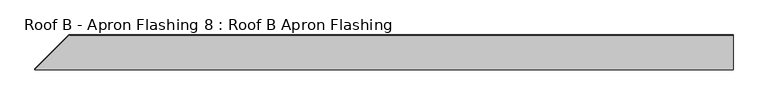
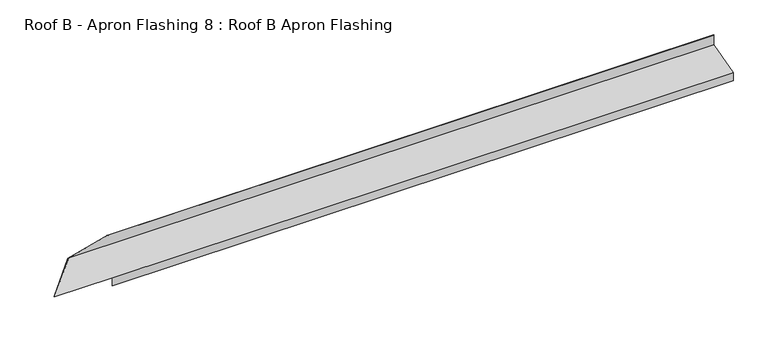
"""IFC4 building model written with IfcOpenShell, lengths in millimetres: proxy geometry, Roof B - Apron Flashing 8 : Roof B Apron Flashing."""

from ifc_helpers import new_model, si_unit, origin, place, context, project, spatial, faceted_brep, source, transform, mapped, element, save


def roof_b_apron_flashing_8_roof_b_apron_flashing_a00311de(model_context):
    return source(origin(), model_context, "Body", "Brep", [
        faceted_brep([(15612.1333687, 8792.2230931, 4055.6588838), (15612.1333687, 8991.5960751, 4109.0807133), (15612.1333687, 8991.5960751, 4171.1338746), (15612.1333687, 8990.5960751, 4171.1338746), (15612.1333687, 8990.5960751, 4109.8480403), (15612.1333687, 8791.2230931, 4056.4262108), (15612.1333687, 8791.2230931, 4006.4262108), (15612.1333687, 8792.2230931, 4006.4262108), (11937.4883036, 8792.2230931, 4055.6588838), (11941.052318, 8795.7871075, 4056.6138586), (11595.2552051, 8795.7871075, 4056.6138586), (11791.0641727, 8991.5960751, 4109.0807133), (12022.6497234, 8991.5960751, 4171.1338746), (12022.6497234, 8990.5960751, 4171.1338746), (11793.927876, 8990.5960751, 4109.8480403), (11595.2552051, 8791.9234042, 4056.6138586), (11937.1886147, 8791.9234042, 4056.6138586), (11936.4883036, 8791.2230931, 4056.4262108), (11936.4883036, 8791.2230931, 4006.4262108), (11937.4883036, 8792.2230931, 4006.4262108)], [[[0, 1, 2, 3, 4, 5, 6, 7]], [[1, 0, 8, 9, 10, 11]], [[2, 1, 11, 12]], [[3, 2, 12, 13]], [[4, 3, 13, 14]], [[5, 4, 14, 15, 16, 17]], [[6, 5, 17, 18]], [[7, 6, 18, 19]], [[0, 7, 19, 8]], [[9, 16, 15, 10]], [[16, 9, 8, 19, 18, 17]], [[11, 10, 15, 14, 13, 12]]]),
    ])


if __name__ == "__main__":
    model = new_model("IFC4")
    model_context = context("Model", 3, world=origin())
    ifc_project = project(units=[si_unit("LENGTHUNIT", "METRE", prefix="MILLI")], contexts=[model_context])
    site = spatial("IfcSite", under=ifc_project)
    building = spatial("IfcBuilding", under=site)
    placement = place(None, origin())
    roof_b_apron_flashing_8_roof_b_apron_flashing_shape = roof_b_apron_flashing_8_roof_b_apron_flashing_a00311de(model_context)
    element("IfcBuildingElementProxy", 1, Name="Roof B - Apron Flashing 8 : Roof B Apron Flashing", ObjectType="Roof B - Apron Flashing 8 : Roof B Apron Flashing", at=placement, inside=building, context=model_context, shape_type="MappedRepresentation", body=[
        mapped(roof_b_apron_flashing_8_roof_b_apron_flashing_shape, transform((0.0, 0.0, 0.0), x_axis=(1.0, 0.0, 0.0), y_axis=(0.0, 1.0, 0.0), z_axis=(0.0, 0.0, 1.0))),
    ])
    save(model, "model.ifc")
